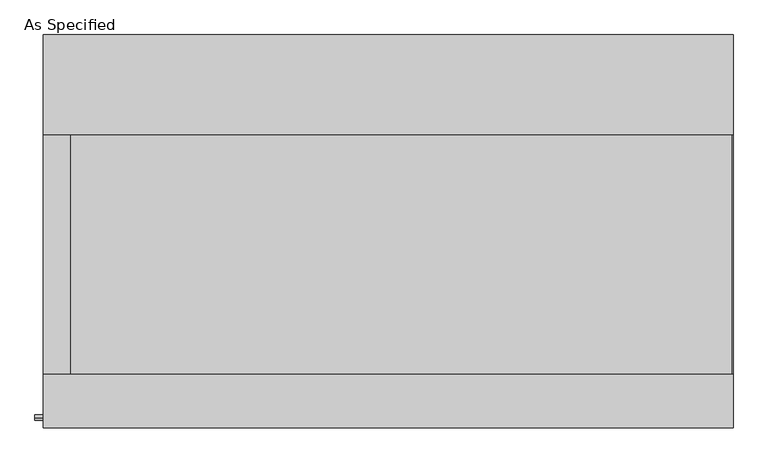
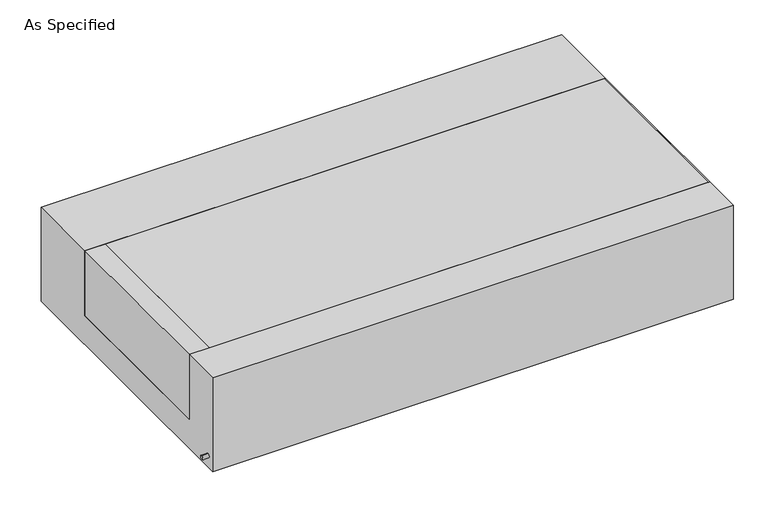
"""IFC4 building model written with IfcOpenShell, lengths in millimetres: proxy geometry, As Specified."""

from ifc_helpers import new_model, si_unit, point, frame, frame_2d, origin, place, context, project, spatial, polyline, circle_curve, trimmed, segment, composite_curve, outline, extrude, source, transform, mapped, element, save


def as_specified_cd3507b1(model_context):
    return source(origin(), model_context, "Body", "SweptSolid", [
        extrude(outline(composite_curve([segment(trimmed(circle_curve(frame_2d((-712.7875, -466.725)), 10.5), [point((-712.7875, -456.225))], [point((-712.7875, -477.225))], False, "CARTESIAN"), True, "CONTINUOUS"), segment(trimmed(circle_curve(frame_2d((-712.7875, -466.725)), 10.5), [point((-712.7875, -477.225))], [point((-712.7875, -456.225))], False, "CARTESIAN"), True, "CONTINUOUS")], self_intersect=False)), frame((-1351.0528384, 0.0, 0.0), z_axis=(1.0, 0.0, 0.0), x_axis=(0.0, 1.0, 0.0)), (0.0, 0.0, 1.0), 31.8403384),
        extrude(outline(polyline([(-1216.81875, 368.3), (-1216.81875, -546.1), (-1319.2125, -546.1), (-1319.2125, 368.3), (-1216.81875, 368.3)])), frame((0.0, 0.0, -373.0625), z_axis=(0.0, 0.0, 1.0), x_axis=(1.0, 0.0, 0.0)), (0.0, 0.0, 1.0), 347.6625),
        extrude(outline(polyline([(1315.24375, 368.3), (1319.2125, 368.3), (1319.2125, -546.1), (1315.24375, -546.1), (1315.24375, 368.3)])), frame((0.0, 0.0, -39.6875), z_axis=(0.0, 0.0, 1.0), x_axis=(1.0, 0.0, 0.0)), (0.0, 0.0, 1.0), 14.2875),
        extrude(outline(polyline([(1319.2125, 368.3), (1319.2125, -546.1), (-1216.81875, -546.1), (-1216.81875, 368.3), (1319.2125, 368.3)])), frame((0.0, 0.0, -373.0625), z_axis=(0.0, 0.0, 1.0), x_axis=(1.0, 0.0, 0.0)), (0.0, 0.0, 1.0), 347.6625),
        extrude(outline(polyline([(752.475, -25.4), (752.475, -530.225), (-752.475, -530.225), (-752.475, -25.4), (-546.1, -25.4), (-546.1, -373.0625), (368.3, -373.0625), (368.3, -25.4), (752.475, -25.4)])), frame((-1319.2125, 0.0, 0.0), z_axis=(1.0, 0.0, 0.0), x_axis=(0.0, 1.0, 0.0)), (0.0, 0.0, 1.0), 2638.425),
    ])


if __name__ == "__main__":
    model = new_model("IFC4")
    model_context = context("Model", 3, world=origin())
    ifc_project = project(units=[si_unit("LENGTHUNIT", "METRE", prefix="MILLI")], contexts=[model_context])
    site = spatial("IfcSite", under=ifc_project)
    building = spatial("IfcBuilding", under=site)
    placement = place(None, origin())
    as_specified_shape = as_specified_cd3507b1(model_context)
    element("IfcBuildingElementProxy", 1, Name="As Specified", ObjectType="As Specified", at=placement, inside=building, context=model_context, shape_type="MappedRepresentation", body=[
        mapped(as_specified_shape, transform((0.0, 0.0, 0.0), x_axis=(1.0, 0.0, 0.0), y_axis=(0.0, 1.0, 0.0), z_axis=(0.0, 0.0, 1.0))),
    ])
    save(model, "model.ifc")
